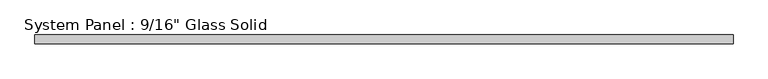
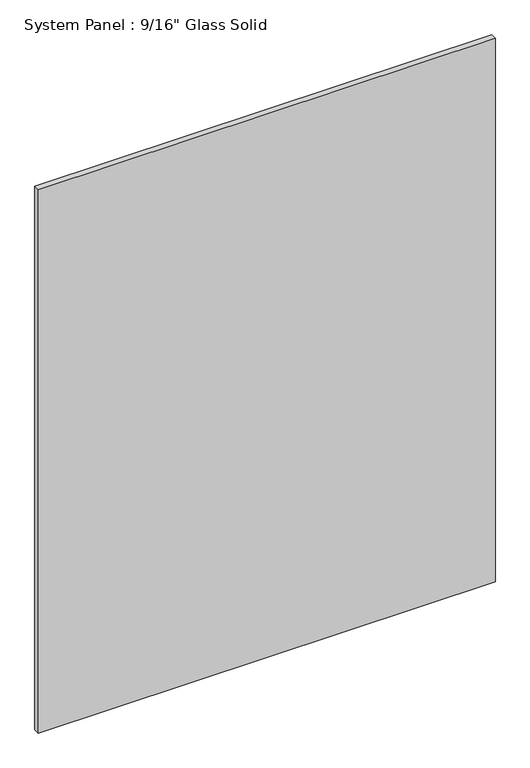
"""IFC4 building model written with IfcOpenShell, lengths in millimetres: plate geometry."""

from ifc_helpers import new_model, si_unit, origin, origin_with_axes, place, context, project, spatial, polyline, outline, extrude, source, transform, mapped, element, save


def plate_795b54aa(model_context):
    return source(origin(), model_context, "Body", "SweptSolid", [
        extrude(outline(polyline([(562.5555865, -7.14375), (-562.5555865, -7.14375), (-562.5555865, 7.14375), (562.5555865, 7.14375), (562.5555865, -7.14375)])), origin_with_axes(), (0.0, 0.0, 1.0), 1413.6241382),
    ])


if __name__ == "__main__":
    model = new_model("IFC4")
    model_context = context("Model", 3, world=origin())
    ifc_project = project(units=[si_unit("LENGTHUNIT", "METRE", prefix="MILLI")], contexts=[model_context])
    site = spatial("IfcSite", under=ifc_project)
    building = spatial("IfcBuilding", under=site)
    placement = place(None, origin())
    plate_shape = plate_795b54aa(model_context)
    element("IfcPlate", 1, ObjectType="System Panel : 9/16\" Glass Solid", at=placement, inside=building, context=model_context, shape_type="MappedRepresentation", body=[
        mapped(plate_shape, transform((0.0, 0.0, 0.0), x_axis=(1.0, 0.0, 0.0), y_axis=(0.0, 1.0, 0.0), z_axis=(0.0, 0.0, 1.0))),
    ])
    save(model, "model.ifc")
